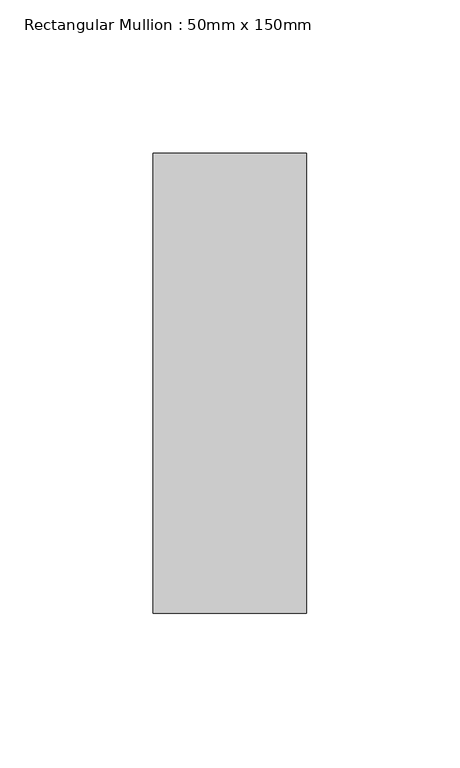
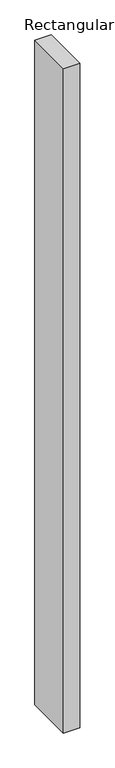
"""IFC4 building model written with IfcOpenShell, lengths in millimetres: member geometry, Rectangular Mullion : 50mm x 150mm."""

from ifc_helpers import new_model, si_unit, frame, origin, place, context, project, spatial, polyline, outline, extrude, source, transform, mapped, element, save


def rectangular_mullion_50mm_x_150mm_8911a61a(model_context):
    return source(origin(), model_context, "Body", "SweptSolid", [
        extrude(outline(polyline([(0.0, 75.0), (0.0, -75.0), (-50.0, -75.0), (-50.0, 75.0), (0.0, 75.0)])), frame((0.0, 0.0, -2133.4195363), z_axis=(0.0, 0.0, 1.0), x_axis=(1.0, 0.0, 0.0)), (0.0, 0.0, 1.0), 2133.4195363),
    ])


if __name__ == "__main__":
    model = new_model("IFC4")
    model_context = context("Model", 3, world=origin())
    ifc_project = project(units=[si_unit("LENGTHUNIT", "METRE", prefix="MILLI")], contexts=[model_context])
    site = spatial("IfcSite", under=ifc_project)
    building = spatial("IfcBuilding", under=site)
    placement = place(None, origin())
    rectangular_mullion_50mm_x_150mm_shape = rectangular_mullion_50mm_x_150mm_8911a61a(model_context)
    element("IfcMember", 1, ObjectType="Rectangular Mullion : 50mm x 150mm", at=placement, inside=building, context=model_context, shape_type="MappedRepresentation", body=[
        mapped(rectangular_mullion_50mm_x_150mm_shape, transform((0.0, 0.0, 0.0), x_axis=(1.0, 0.0, 0.0), y_axis=(0.0, 1.0, 0.0), z_axis=(0.0, 0.0, 1.0))),
    ])
    save(model, "model.ifc")
